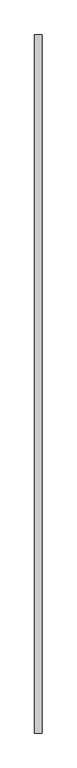
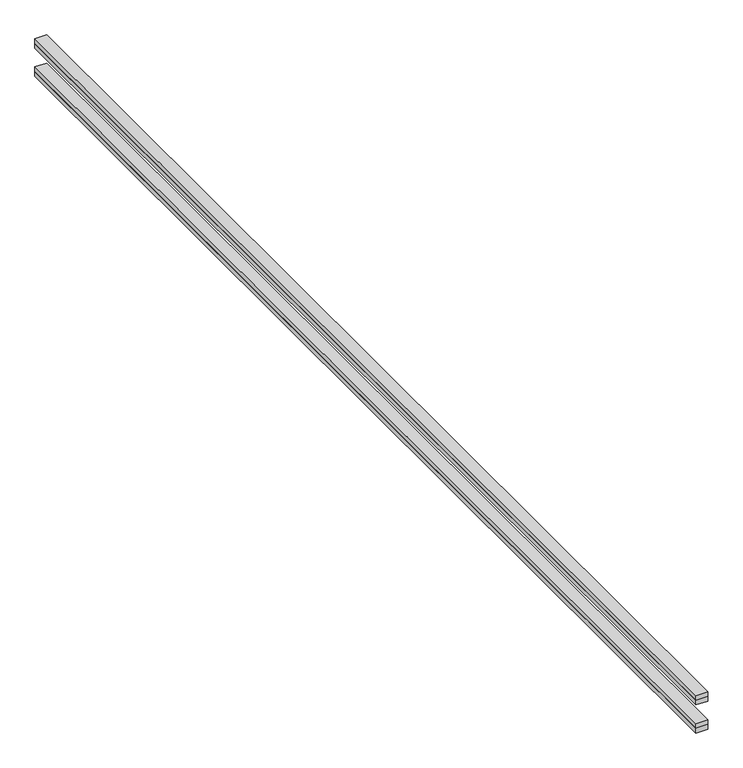
"""IFC4 building model written with IfcOpenShell, lengths in millimetres: proxy geometry."""

from ifc_helpers import new_model, si_unit, frame, origin, place, context, project, spatial, polyline, outline, extrude, source, transform, mapped, element, save


def specialty_equipment_ec6cd11c(model_context):
    return source(origin(), model_context, "Body", "SweptSolid", [
        extrude(outline(polyline([(15.0, 1445.0), (15.0, -1445.0), (-15.0, -1445.0), (-15.0, 1445.0), (15.0, 1445.0)])), frame((0.0, 0.0, -12.5), z_axis=(0.0, 0.0, 1.0), x_axis=(1.0, 0.0, 0.0)), (0.0, 0.0, 1.0), 12.5),
        extrude(outline(polyline([(15.0, 1445.0), (15.0, -1445.0), (-15.0, -1445.0), (-15.0, 1445.0), (15.0, 1445.0)])), frame((0.0, 0.0, -25.0), z_axis=(0.0, 0.0, 1.0), x_axis=(1.0, 0.0, 0.0)), (0.0, 0.0, 1.0), 12.5),
        extrude(outline(polyline([(15.0, 1445.0), (15.0, -1445.0), (-15.0, -1445.0), (-15.0, 1445.0), (15.0, 1445.0)])), frame((0.0, 0.0, -100.0), z_axis=(0.0, 0.0, 1.0), x_axis=(1.0, 0.0, 0.0)), (0.0, 0.0, 1.0), 12.5),
        extrude(outline(polyline([(15.0, 1445.0), (15.0, -1445.0), (-15.0, -1445.0), (-15.0, 1445.0), (15.0, 1445.0)])), frame((0.0, 0.0, -87.5), z_axis=(0.0, 0.0, 1.0), x_axis=(1.0, 0.0, 0.0)), (0.0, 0.0, 1.0), 12.5),
    ])


if __name__ == "__main__":
    model = new_model("IFC4")
    model_context = context("Model", 3, world=origin())
    ifc_project = project(units=[si_unit("LENGTHUNIT", "METRE", prefix="MILLI")], contexts=[model_context])
    site = spatial("IfcSite", under=ifc_project)
    building = spatial("IfcBuilding", under=site)
    placement = place(None, origin())
    specialty_equipment_shape = specialty_equipment_ec6cd11c(model_context)
    element("IfcBuildingElementProxy", 1, Name="Specialty Equipment", at=placement, inside=building, context=model_context, shape_type="MappedRepresentation", body=[
        mapped(specialty_equipment_shape, transform((0.0, 0.0, 0.0), x_axis=(1.0, 0.0, 0.0), y_axis=(0.0, 1.0, 0.0), z_axis=(0.0, 0.0, 1.0))),
    ])
    save(model, "model.ifc")
